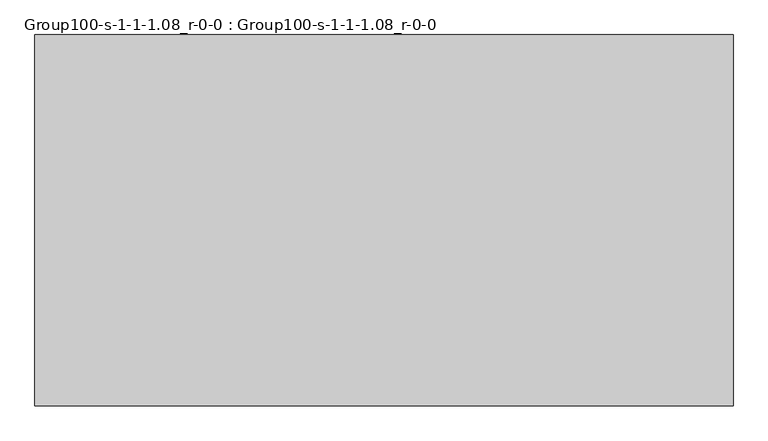
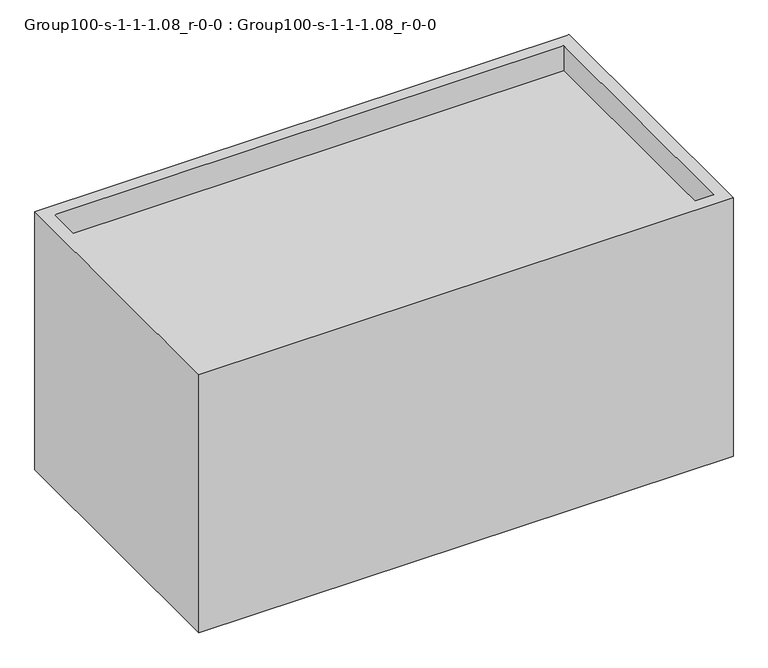
"""IFC4 building model written with IfcOpenShell, lengths in millimetres: geographic element geometry, Group100-s-1-1-1.08_r-0-0 : Group100-s-1-1-1.08_r-0-0."""

from ifc_helpers import new_model, si_unit, origin, place, context, project, spatial, triangles, source, transform, mapped, element, save


def group100_s_1_1_1_08_r_0_0_group100_s_1_1_1_08_r_0_0_83af9598(model_context):
    return source(origin(), model_context, "Body", "Tessellation", [
        triangles([(13409.6128876, 7135.8126938, 0.0), (0.0, 0.0, 0.0), (0.0, 7135.8126938, 0.0), (13409.6128876, 0.0, 0.0), (13409.6128876, 0.0, 6852.7654358), (13409.6128876, 7135.8126938, 6852.7654358), (304.8, 6831.0126938, 6194.3974823), (304.8, 304.8, 6852.7654358), (304.8, 304.8, 6194.3974823), (304.8, 6831.0126938, 6852.7654358), (0.0, 0.0, 6852.7654358), (0.0, 7135.8126938, 6852.7654358), (13104.8128876, 304.8, 6852.7654358), (13104.8128876, 6831.0126938, 6852.7654358), (13104.8128876, 304.8, 6194.3974823), (13104.8128876, 6831.0126938, 6194.3974823)], [[1, 2, 3], [2, 1, 4], [1, 5, 4], [5, 1, 6], [7, 8, 9], [8, 7, 10], [11, 8, 12], [8, 11, 5], [8, 5, 13], [13, 5, 14], [12, 10, 6], [10, 12, 8], [6, 10, 14], [6, 14, 5], [8, 15, 9], [15, 8, 13], [15, 7, 9], [7, 15, 16], [14, 7, 16], [7, 14, 10], [14, 15, 13], [15, 14, 16], [5, 2, 4], [2, 5, 11], [12, 2, 11], [2, 12, 3], [12, 1, 3], [1, 12, 6]]),
    ])


if __name__ == "__main__":
    model = new_model("IFC4")
    model_context = context("Model", 3, world=origin())
    ifc_project = project(units=[si_unit("LENGTHUNIT", "METRE", prefix="MILLI")], contexts=[model_context])
    site = spatial("IfcSite", under=ifc_project)
    building = spatial("IfcBuilding", under=site)
    placement = place(None, origin())
    group100_s_1_1_1_08_r_0_0_group100_s_1_1_1_08_r_0_0_shape = group100_s_1_1_1_08_r_0_0_group100_s_1_1_1_08_r_0_0_83af9598(model_context)
    element("IfcGeographicElement", 1, ObjectType="Group100-s-1-1-1.08_r-0-0 : Group100-s-1-1-1.08_r-0-0", at=placement, inside=building, context=model_context, shape_type="MappedRepresentation", body=[
        mapped(group100_s_1_1_1_08_r_0_0_group100_s_1_1_1_08_r_0_0_shape, transform((0.0, 0.0, 0.0), x_axis=(1.0, 0.0, 0.0), y_axis=(0.0, 1.0, 0.0), z_axis=(0.0, 0.0, 1.0))),
    ])
    save(model, "model.ifc")
